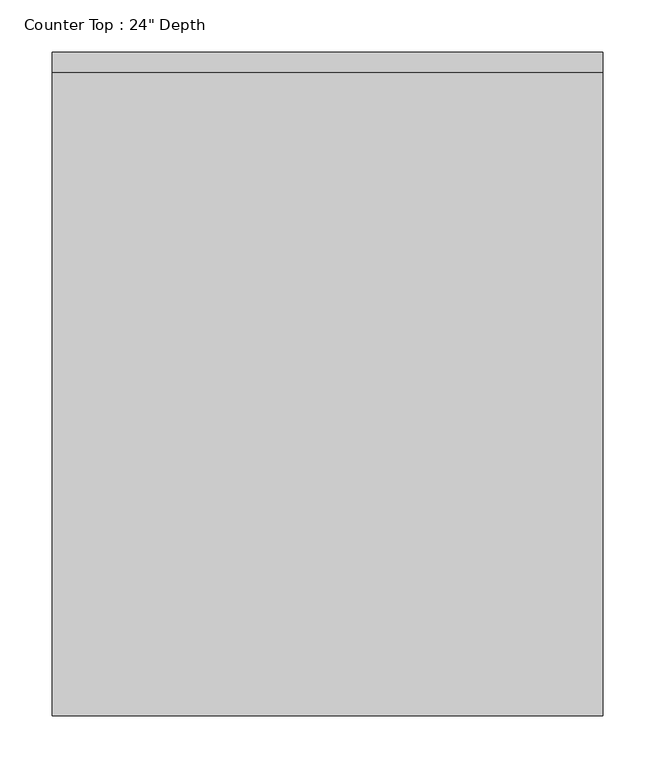
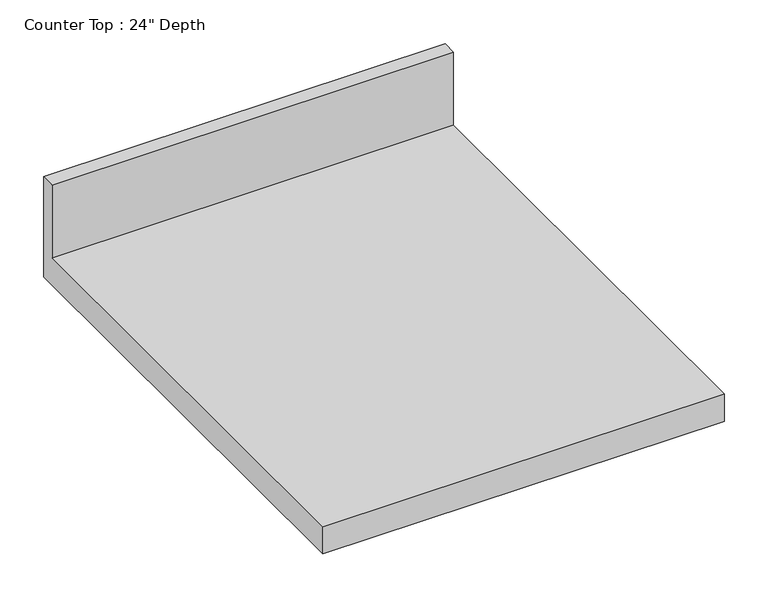
"""IFC4 building model written with IfcOpenShell, lengths in millimetres: furniture geometry."""

from ifc_helpers import new_model, si_unit, frame, origin, place, context, project, spatial, polyline, outline, extrude, source, transform, mapped, element, save


def furniture_247f83ef(model_context):
    return source(origin(), model_context, "Body", "SweptSolid", [
        extrude(outline(polyline([(0.0, 1016.0), (0.0, 876.3), (-635.0, 876.3), (-635.0, 914.4), (-19.05, 914.4), (-19.05, 1016.0), (0.0, 1016.0)])), frame((-1200.4622951, 0.0, 0.0), z_axis=(1.0, 0.0, 0.0), x_axis=(0.0, 1.0, 0.0)), (0.0, 0.0, 1.0), 527.1625757),
    ])


if __name__ == "__main__":
    model = new_model("IFC4")
    model_context = context("Model", 3, world=origin())
    ifc_project = project(units=[si_unit("LENGTHUNIT", "METRE", prefix="MILLI")], contexts=[model_context])
    site = spatial("IfcSite", under=ifc_project)
    building = spatial("IfcBuilding", under=site)
    placement = place(None, origin())
    furniture_shape = furniture_247f83ef(model_context)
    element("IfcFurniture", 1, ObjectType="Counter Top : 24\" Depth", at=placement, inside=building, context=model_context, shape_type="MappedRepresentation", body=[
        mapped(furniture_shape, transform((0.0, 0.0, 0.0), x_axis=(1.0, 0.0, 0.0), y_axis=(0.0, 1.0, 0.0), z_axis=(0.0, 0.0, 1.0))),
    ])
    save(model, "model.ifc")
